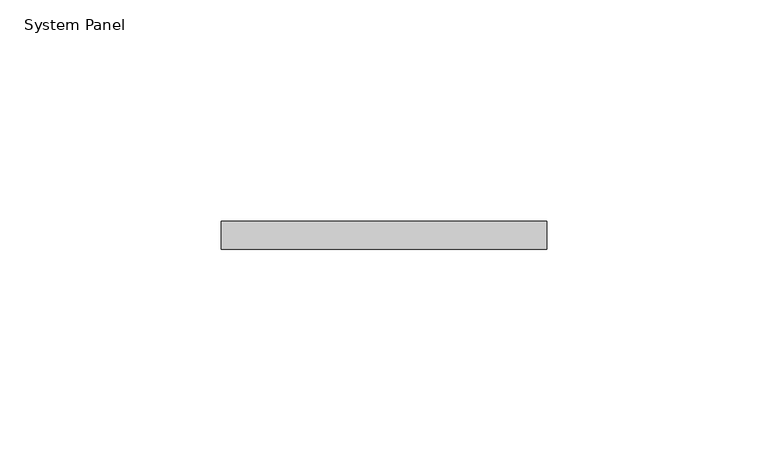
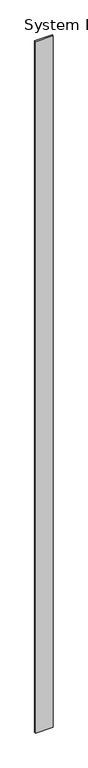
"""IFC4 building model written with IfcOpenShell, lengths in millimetres: plate geometry, System Panel."""

from ifc_helpers import new_model, si_unit, origin, origin_with_axes, place, context, project, spatial, polyline, outline, extrude, source, transform, mapped, element, save


def system_panel_6f3c07f2(model_context):
    return source(origin(), model_context, "Body", "SweptSolid", [
        extrude(outline(polyline([(36.824976, 0.0), (-36.824976, 0.0), (-36.824976, 6.35), (36.824976, 6.35), (36.824976, 0.0)])), origin_with_axes(), (0.0, 0.0, 1.0), 3048.0),
    ])


if __name__ == "__main__":
    model = new_model("IFC4")
    model_context = context("Model", 3, world=origin())
    ifc_project = project(units=[si_unit("LENGTHUNIT", "METRE", prefix="MILLI")], contexts=[model_context])
    site = spatial("IfcSite", under=ifc_project)
    building = spatial("IfcBuilding", under=site)
    placement = place(None, origin())
    system_panel_shape = system_panel_6f3c07f2(model_context)
    element("IfcPlate", 1, ObjectType="System Panel", at=placement, inside=building, context=model_context, shape_type="MappedRepresentation", body=[
        mapped(system_panel_shape, transform((0.0, 0.0, 0.0), x_axis=(1.0, 0.0, 0.0), y_axis=(0.0, 1.0, 0.0), z_axis=(0.0, 0.0, 1.0))),
    ])
    save(model, "model.ifc")
